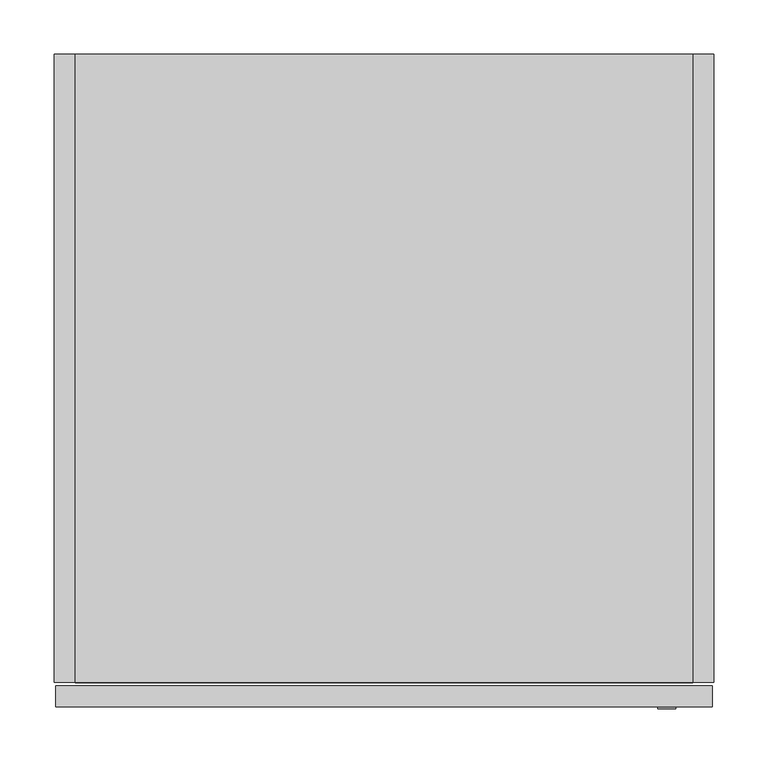
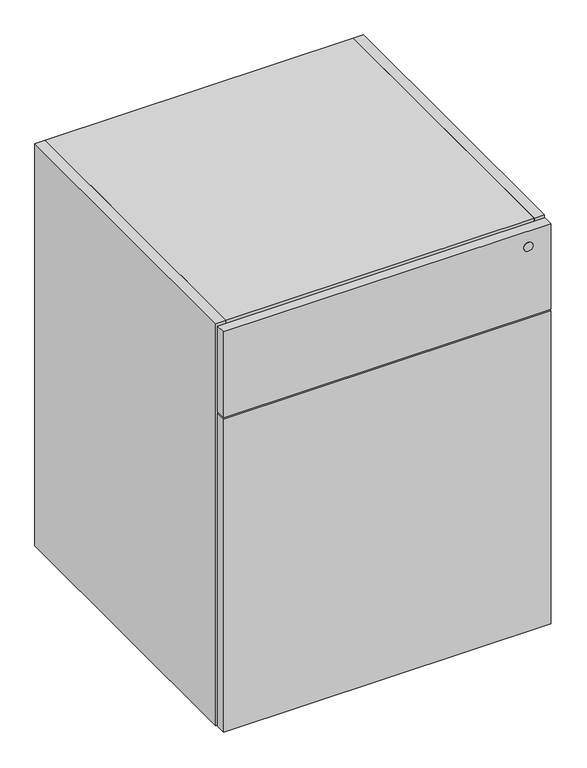
"""IFC4 building model written with IfcOpenShell, lengths in millimetres: furniture geometry."""

from ifc_helpers import new_model, si_unit, point, frame, frame_2d, origin, place, context, project, spatial, polyline, circle_curve, trimmed, segment, composite_curve, outline, extrude, source, transform, mapped, element, save


def furniture_3bef6549(model_context):
    return source(origin(), model_context, "Body", "SweptSolid", [
        extrude(outline(polyline([(608.0125, -603.504), (1.5875, -603.504), (1.5875, -584.2), (608.0125, -584.2), (608.0125, -603.504)])), frame((0.0, 0.0, 101.6), z_axis=(0.0, 0.0, 1.0), x_axis=(1.0, 0.0, 0.0)), (0.0, 0.0, 1.0), 613.3592),
        extrude(outline(polyline([(590.296, 0.0), (590.296, -19.304), (19.304, -19.304), (19.304, 0.0), (590.296, 0.0)])), frame((0.0, 0.0, 101.6), z_axis=(0.0, 0.0, 1.0), x_axis=(1.0, 0.0, 0.0)), (0.0, 0.0, 1.0), 768.096),
        extrude(outline(polyline([(590.296, -581.025), (19.304, -581.025), (19.304, -19.304), (590.296, -19.304), (590.296, -581.025)])), frame((0.0, 0.0, 101.6), z_axis=(0.0, 0.0, 1.0), x_axis=(1.0, 0.0, 0.0)), (0.0, 0.0, 1.0), 19.304),
        extrude(outline(polyline([(590.296, -581.025), (19.304, -581.025), (19.304, 0.0), (590.296, 0.0), (590.296, -581.025)])), frame((0.0, 0.0, 869.696), z_axis=(0.0, 0.0, 1.0), x_axis=(1.0, 0.0, 0.0)), (0.0, 0.0, 1.0), 19.304),
        extrude(outline(polyline([(19.304, 0.0), (19.304, -581.025), (0.0, -581.025), (0.0, 0.0), (19.304, 0.0)])), frame((0.0, 0.0, 101.6), z_axis=(0.0, 0.0, 1.0), x_axis=(1.0, 0.0, 0.0)), (0.0, 0.0, 1.0), 787.4),
        extrude(outline(polyline([(590.296, 0.0), (609.6, 0.0), (609.6, -581.025), (590.296, -581.025), (590.296, 0.0)])), frame((0.0, 0.0, 101.6), z_axis=(0.0, 0.0, 1.0), x_axis=(1.0, 0.0, 0.0)), (0.0, 0.0, 1.0), 787.4),
        extrude(outline(polyline([(608.0125, -603.504), (1.5875, -603.504), (1.5875, -584.2), (608.0125, -584.2), (608.0125, -603.504)])), frame((0.0, 0.0, 718.1342), z_axis=(0.0, 0.0, 1.0), x_axis=(1.0, 0.0, 0.0)), (0.0, 0.0, 1.0), 167.6908),
        extrude(outline(composite_curve([segment(trimmed(circle_curve(frame_2d((855.98, 566.1025)), 8.4455), [point((855.98, 574.548))], [point((855.98, 557.657))], False, "CARTESIAN"), True, "CONTINUOUS"), segment(trimmed(circle_curve(frame_2d((855.98, 566.1025)), 8.4455), [point((855.98, 557.657))], [point((855.98, 574.548))], False, "CARTESIAN"), True, "CONTINUOUS")], self_intersect=False)), frame((0.0, -605.0915, 0.0), z_axis=(0.0, 1.0, 0.0), x_axis=(0.0, 0.0, 1.0)), (0.0, 0.0, 1.0), 1.5875),
    ])


if __name__ == "__main__":
    model = new_model("IFC4")
    model_context = context("Model", 3, world=origin())
    ifc_project = project(units=[si_unit("LENGTHUNIT", "METRE", prefix="MILLI")], contexts=[model_context])
    site = spatial("IfcSite", under=ifc_project)
    building = spatial("IfcBuilding", under=site)
    placement = place(None, origin())
    furniture_shape = furniture_3bef6549(model_context)
    element("IfcFurniture", 1, at=placement, inside=building, context=model_context, shape_type="MappedRepresentation", body=[
        mapped(furniture_shape, transform((0.0, 0.0, 0.0), x_axis=(1.0, 0.0, 0.0), y_axis=(0.0, 1.0, 0.0), z_axis=(0.0, 0.0, 1.0))),
    ])
    save(model, "model.ifc")
